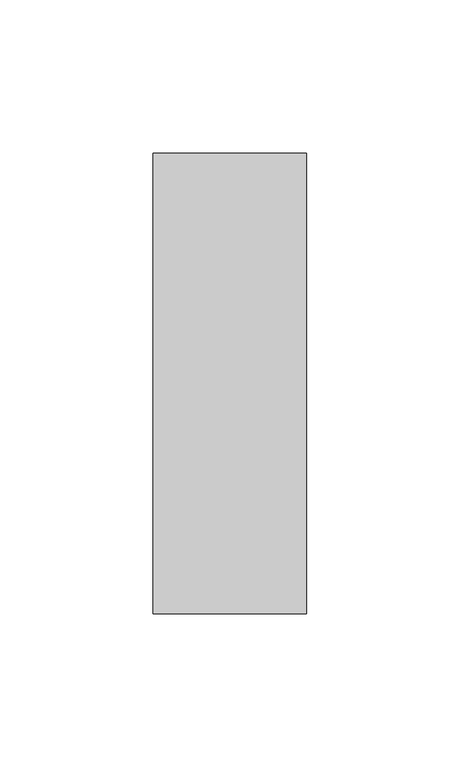
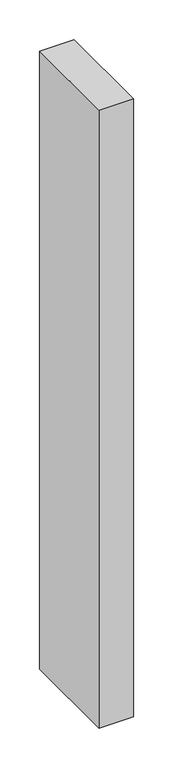
"""IFC4 building model written with IfcOpenShell, lengths in millimetres: member geometry."""

from ifc_helpers import new_model, si_unit, frame, origin, place, context, project, spatial, polyline, outline, extrude, source, transform, mapped, element, save


def member_12a430f9(model_context):
    return source(origin(), model_context, "Body", "SweptSolid", [
        extrude(outline(polyline([(0.0, 75.0), (0.0, -75.0), (-50.0, -75.0), (-50.0, 75.0), (0.0, 75.0)])), frame((0.0, 0.0, -950.0), z_axis=(0.0, 0.0, 1.0), x_axis=(1.0, 0.0, 0.0)), (0.0, 0.0, 1.0), 950.0),
    ])


if __name__ == "__main__":
    model = new_model("IFC4")
    model_context = context("Model", 3, world=origin())
    ifc_project = project(units=[si_unit("LENGTHUNIT", "METRE", prefix="MILLI")], contexts=[model_context])
    site = spatial("IfcSite", under=ifc_project)
    building = spatial("IfcBuilding", under=site)
    placement = place(None, origin())
    member_shape = member_12a430f9(model_context)
    element("IfcMember", 1, at=placement, inside=building, context=model_context, shape_type="MappedRepresentation", body=[
        mapped(member_shape, transform((0.0, 0.0, 0.0), x_axis=(1.0, 0.0, 0.0), y_axis=(0.0, 1.0, 0.0), z_axis=(0.0, 0.0, 1.0))),
    ])
    save(model, "model.ifc")
